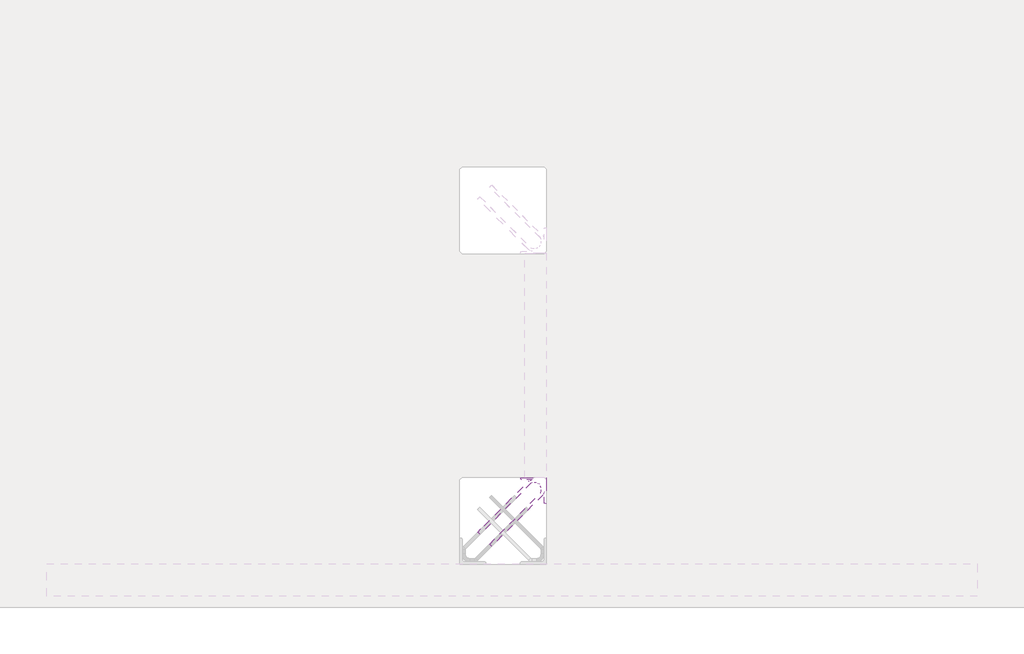
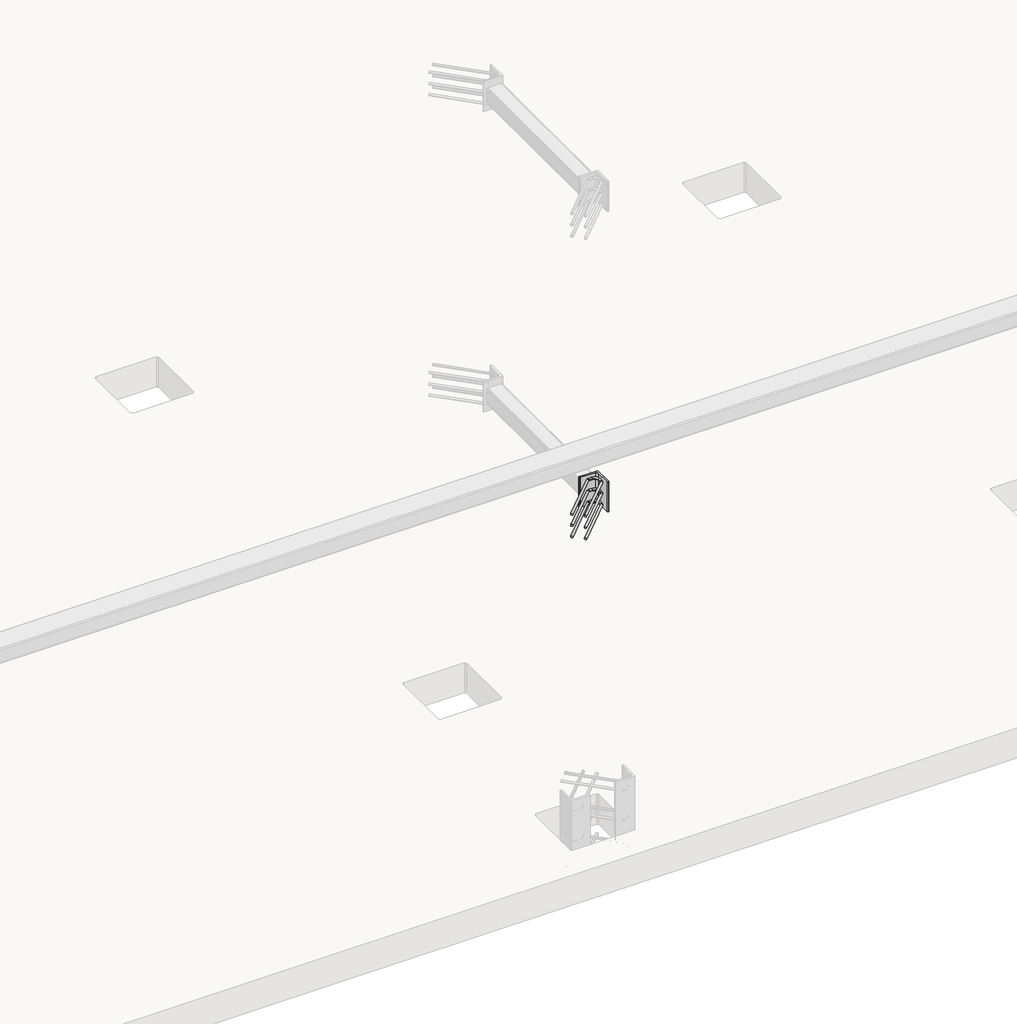
# One storey, part 7 of 65: 1 fastener.
"""IFC4 building model written with IfcOpenShell, lengths in millimetres."""

from ifc_helpers import new_model, si_unit, point, frame, frame_2d, origin, place, context, project, spatial, polyline, circle_curve, ellipse_curve, trimmed, segment, composite_curve, outline, extrude, element, save
from ifc_brep_helpers import plane_surface, cylinder_surface, revolved_surface, advanced_brep

model = new_model("IFC4")

# Units and contexts
model_context = context("Model", 3, world=origin())
ifc_project = project(units=[si_unit("LENGTHUNIT", "METRE", prefix="MILLI")], contexts=[model_context])

# Site, building, storey
site = spatial("IfcSite", under=ifc_project)
building = spatial("IfcBuilding", under=site)
storey = spatial("IfcBuildingStorey", under=building, Elevation=0.0)

# Fastener
placement = place(None, origin())
element("IfcFastener", 1, at=placement, inside=storey, context=model_context, shape_type="SolidModel", body=[
    extrude(outline(composite_curve([segment(polyline([(17350.0, 10200.0), (17350.0, 10080.0), (17346.5, 10080.0)]), True, "CONTINUOUS"), segment(trimmed(circle_curve(frame_2d((17346.5, 10086.5)), 6.5), [point((17346.5, 10080.0))], [point((17340.0, 10086.5))], False, "CARTESIAN"), True, "CONTINUOUS"), segment(polyline([(17340.0, 10086.5), (17340.0, 10177.0)]), True, "CONTINUOUS"), segment(trimmed(circle_curve(frame_2d((17327.0, 10177.0)), 13.0), [point((17340.0, 10177.0))], [point((17327.0, 10190.0))], True, "CARTESIAN"), True, "CONTINUOUS"), segment(polyline([(17327.0, 10190.0), (17236.5, 10190.0)]), True, "CONTINUOUS"), segment(trimmed(circle_curve(frame_2d((17236.5, 10196.5)), 6.5), [point((17236.5, 10190.0))], [point((17230.0, 10196.5))], False, "CARTESIAN"), True, "CONTINUOUS"), segment(polyline([(17230.0, 10196.5), (17230.0, 10200.0), (17350.0, 10200.0)]), True, "CONTINUOUS")], self_intersect=False)), frame((0.0, 0.0, 1950.0), z_axis=(0.0, 0.0, 1.0), x_axis=(1.0, 0.0, 0.0)), (0.0, 0.0, 1.0), 200.0),
    advanced_brep(
    [(17097.4623741, 9882.5628791, 1975.0), (17087.5628791, 9892.4623741, 1975.0), (17032.5628791, 9947.4623741, 1975.0), (17042.4623741, 9937.5628791, 1975.0), (17303.0, 10176.0, 1975.0), (17303.0, 10190.0, 1975.0), (17284.2132034, 10190.0, 1975.0), (17284.2132034, 10176.0, 1975.0), (17326.0, 10153.0, 1975.0), (17340.0, 10153.0, 1975.0), (17326.0, 10134.2132034, 1975.0), (17340.0, 10134.2132034, 1975.0), (17333.5563492, 10118.6568542, 1975.0), (17323.6568543, 10128.5563492, 1975.0), (17278.5563492, 10173.6568542, 1975.0), (17268.6568543, 10183.5563492, 1975.0)],
    [
        (0, 1, circle_curve(frame((17092.5126266, 9887.5126266, 1975.0), z_axis=(-0.7071067811865505, -0.7071067811865446, 0.0), x_axis=(-0.7071067811865447, 0.7071067811865506, 0.0)), 7.0)),
        (1, 0, circle_curve(frame((17092.5126266, 9887.5126266, 1975.0), z_axis=(-0.7071067811865505, -0.7071067811865446, 0.0), x_axis=(-0.7071067811865447, 0.7071067811865506, 0.0)), 7.0)),
        (2, 3, circle_curve(frame((17037.5126266, 9942.5126266, 1975.0), z_axis=(-0.7071067811865503, -0.7071067811865447, 0.0), x_axis=(0.7071067811865447, -0.7071067811865503, 0.0)), 7.0)),
        (3, 2, circle_curve(frame((17037.5126266, 9942.5126266, 1975.0), z_axis=(-0.7071067811865503, -0.7071067811865447, 0.0), x_axis=(0.7071067811865447, -0.7071067811865503, 0.0)), 7.0)),
        (4, 5, circle_curve(frame((17303.0, 10183.0, 1975.0), z_axis=(-1.0, 0.0, 0.0), x_axis=(0.0, -1.0, 0.0)), 7.0)),
        (5, 6),
        (6, 7, circle_curve(frame((17284.2132034, 10183.0, 1975.0), z_axis=(1.0, 0.0, 0.0), x_axis=(0.0, -1.0, 0.0)), 7.0)),
        (7, 4),
        (5, 4, circle_curve(frame((17303.0, 10183.0, 1975.0), z_axis=(-1.0, 0.0, 0.0), x_axis=(0.0, -1.0, 0.0)), 7.0)),
        (7, 6, circle_curve(frame((17284.2132034, 10183.0, 1975.0), z_axis=(1.0, 0.0, 0.0), x_axis=(0.0, -1.0, 0.0)), 7.0)),
        (4, 8, circle_curve(frame((17303.0, 10153.0, 1975.0), z_axis=(0.0, 0.0, -1.0), x_axis=(1.0, 0.0, 0.0)), 23.0)),
        (8, 9, circle_curve(frame((17333.0, 10153.0, 1975.0), z_axis=(0.0, 1.0, 0.0), x_axis=(-1.0, 0.0, 0.0)), 7.0)),
        (9, 5, circle_curve(frame((17303.0, 10153.0, 1975.0), z_axis=(0.0, 0.0, 1.0), x_axis=(1.0, 0.0, 0.0)), 37.0)),
        (9, 8, circle_curve(frame((17333.0, 10153.0, 1975.0), z_axis=(0.0, 1.0, 0.0), x_axis=(-1.0, 0.0, 0.0)), 7.0)),
        (10, 11, circle_curve(frame((17333.0, 10134.2132034, 1975.0), z_axis=(0.0, 1.0, 0.0), x_axis=(-1.0, 0.0, 0.0)), 7.0)),
        (11, 9),
        (8, 10),
        (11, 10, circle_curve(frame((17333.0, 10134.2132034, 1975.0), z_axis=(0.0, 1.0, 0.0), x_axis=(-1.0, 0.0, 0.0)), 7.0)),
        (0, 12),
        (12, 13, circle_curve(frame((17328.6066017, 10123.6066017, 1975.0), z_axis=(-0.7071067811865505, -0.7071067811865446, 0.0), x_axis=(-0.7071067811865447, 0.7071067811865506, 0.0)), 7.0)),
        (13, 1),
        (13, 12, circle_curve(frame((17328.6066017, 10123.6066017, 1975.0), z_axis=(-0.7071067811865505, -0.7071067811865446, 0.0), x_axis=(-0.7071067811865447, 0.7071067811865506, 0.0)), 7.0)),
        (10, 13, circle_curve(frame((17318.0, 10134.2132034, 1975.0), z_axis=(0.0, 0.0, -1.0), x_axis=(0.7071067811865445, -0.7071067811865506, 0.0)), 8.0)),
        (12, 11, circle_curve(frame((17318.0, 10134.2132034, 1975.0), z_axis=(0.0, 0.0, 1.0), x_axis=(0.7071067811865445, -0.7071067811865506, 0.0)), 22.0)),
        (14, 7, circle_curve(frame((17284.2132034, 10168.0, 1975.0), z_axis=(0.0, 0.0, -1.0), x_axis=(0.0, 1.0, 0.0)), 8.0)),
        (6, 15, circle_curve(frame((17284.2132034, 10168.0, 1975.0), z_axis=(0.0, 0.0, 1.0), x_axis=(0.0, 1.0, 0.0)), 22.0)),
        (15, 14, circle_curve(frame((17273.6066017, 10178.6066017, 1975.0), z_axis=(0.7071067811865501, 0.7071067811865449, 0.0), x_axis=(0.7071067811865449, -0.7071067811865501, 0.0)), 7.0)),
        (14, 15, circle_curve(frame((17273.6066017, 10178.6066017, 1975.0), z_axis=(0.7071067811865496, 0.7071067811865455, 0.0), x_axis=(0.7071067811865455, -0.7071067811865496, 0.0)), 7.0)),
        (15, 2),
        (3, 14),
    ],
    [
        plane_surface(frame((17092.5126266, 9887.5126266, 1975.0), z_axis=(-0.7071067811865505, -0.7071067811865446, 0.0), x_axis=(0.0, 0.0, 1.0))),
        plane_surface(frame((17037.5126266, 9942.5126266, 1975.0), z_axis=(-0.7071067811865503, -0.7071067811865447, 0.0), x_axis=(0.0, 0.0, 1.0))),
        cylinder_surface(frame((17303.0, 10183.0, 1975.0), z_axis=(1.0, 0.0, 0.0), x_axis=(0.0, -1.0, 0.0)), 7.0),
        revolved_surface(trimmed(ellipse_curve(frame((17333.0, 10153.0, 1975.0), z_axis=(0.0, -1.0, 0.0), x_axis=(-1.0, 0.0, 0.0)), 7.0, 7.0), [point((17340.0, 10153.0, 1975.0))], [point((17326.0, 10153.0, 1975.0))], True, "CARTESIAN"), (17303.0, 10153.0, 1975.0), (0.0, 0.0, 1.0)),
        revolved_surface(trimmed(ellipse_curve(frame((17333.0, 10153.0, 1975.0), z_axis=(0.0, -1.0, 0.0), x_axis=(-1.0, 0.0, 0.0)), 7.0, 7.0), [point((17326.0, 10153.0, 1975.0))], [point((17340.0, 10153.0, 1975.0))], True, "CARTESIAN"), (17303.0, 10153.0, 1975.0), (0.0, 0.0, 1.0)),
        cylinder_surface(frame((17333.0, 10134.2132034, 1975.0), z_axis=(0.0, -1.0, 0.0), x_axis=(-1.0, 0.0, 0.0)), 7.0),
        cylinder_surface(frame((17092.5126266, 9887.5126266, 1975.0), z_axis=(-0.7071067811865506, -0.7071067811865447, 0.0), x_axis=(-0.7071067811865447, 0.7071067811865506, 0.0)), 7.0),
        revolved_surface(trimmed(ellipse_curve(frame((17328.6066017, 10123.6066017, 1975.0), z_axis=(-0.7071067811865506, -0.7071067811865445, 0.0), x_axis=(-0.7071067811865445, 0.7071067811865506, 0.0)), 7.0, 7.0), [point((17333.5563492, 10118.6568542, 1975.0))], [point((17323.6568543, 10128.5563492, 1975.0))], True, "CARTESIAN"), (17318.0, 10134.2132034, 1975.0), (0.0, 0.0, 1.0)),
        revolved_surface(trimmed(ellipse_curve(frame((17328.6066017, 10123.6066017, 1975.0), z_axis=(-0.7071067811865506, -0.7071067811865445, 0.0), x_axis=(-0.7071067811865445, 0.7071067811865506, 0.0)), 7.0, 7.0), [point((17323.6568543, 10128.5563492, 1975.0))], [point((17333.5563492, 10118.6568542, 1975.0))], True, "CARTESIAN"), (17318.0, 10134.2132034, 1975.0), (0.0, 0.0, 1.0)),
        revolved_surface(trimmed(ellipse_curve(frame((17284.2132034, 10183.0, 1975.0), z_axis=(1.0, 0.0, 0.0), x_axis=(0.0, -1.0, 0.0)), 7.0, 7.0), [point((17284.2132034, 10190.0, 1975.0))], [point((17284.2132034, 10176.0, 1975.0))], True, "CARTESIAN"), (17284.2132034, 10168.0, 1975.0), (0.0, 0.0, 1.0)),
        revolved_surface(trimmed(ellipse_curve(frame((17284.2132034, 10183.0, 1975.0), z_axis=(1.0, 0.0, 0.0), x_axis=(0.0, -1.0, 0.0)), 7.0, 7.0), [point((17284.2132034, 10176.0, 1975.0))], [point((17284.2132034, 10190.0, 1975.0))], True, "CARTESIAN"), (17284.2132034, 10168.0, 1975.0), (0.0, 0.0, 1.0)),
        cylinder_surface(frame((17273.6066017, 10178.6066017, 1975.0), z_axis=(0.7071067811865503, 0.7071067811865447, 0.0), x_axis=(0.7071067811865447, -0.7071067811865503, 0.0)), 7.0),
    ],
    [
        (0, [[1, 2]]),
        (1, [[3, 4]]),
        (2, [[5, 6, 7, 8]]),
        (2, [[9, -8, 10, -6]]),
        (3, [[11, 12, 13, -5]]),
        (4, [[-13, 14, -11, -9]]),
        (5, [[15, 16, -12, 17]]),
        (5, [[18, -17, -14, -16]]),
        (6, [[-1, 19, 20, 21]]),
        (6, [[-2, -21, 22, -19]]),
        (7, [[23, -20, 24, -15]]),
        (8, [[-24, -22, -23, -18]]),
        (9, [[25, -7, 26, 27]]),
        (10, [[-26, -10, -25, 28]]),
        (11, [[-27, 29, -4, 30]]),
        (11, [[-28, -30, -3, -29]]),
    ],
),
    advanced_brep(
    [(17087.5628791, 9892.4623741, 2125.0), (17097.4623741, 9882.5628791, 2125.0), (17042.4623741, 9937.5628791, 2125.0), (17032.5628791, 9947.4623741, 2125.0), (17303.0, 10190.0, 2125.0), (17303.0, 10176.0, 2125.0), (17284.2132034, 10176.0, 2125.0), (17284.2132034, 10190.0, 2125.0), (17340.0, 10153.0, 2125.0), (17326.0, 10153.0, 2125.0), (17340.0, 10134.2132034, 2125.0), (17326.0, 10134.2132034, 2125.0), (17323.6568543, 10128.5563492, 2125.0), (17333.5563492, 10118.6568542, 2125.0), (17268.6568543, 10183.5563492, 2125.0), (17278.5563492, 10173.6568542, 2125.0)],
    [
        (0, 1, circle_curve(frame((17092.5126266, 9887.5126266, 2125.0), z_axis=(-0.7071067811865505, -0.7071067811865446, 0.0), x_axis=(0.7071067811865447, -0.7071067811865506, 0.0)), 7.0)),
        (1, 0, circle_curve(frame((17092.5126266, 9887.5126266, 2125.0), z_axis=(-0.7071067811865505, -0.7071067811865446, 0.0), x_axis=(0.7071067811865447, -0.7071067811865506, 0.0)), 7.0)),
        (2, 3, circle_curve(frame((17037.5126266, 9942.5126266, 2125.0), z_axis=(-0.7071067811865505, -0.7071067811865447, 0.0), x_axis=(-0.7071067811865447, 0.7071067811865505, 0.0)), 7.0)),
        (3, 2, circle_curve(frame((17037.5126266, 9942.5126266, 2125.0), z_axis=(-0.7071067811865505, -0.7071067811865447, 0.0), x_axis=(-0.7071067811865447, 0.7071067811865505, 0.0)), 7.0)),
        (4, 5, circle_curve(frame((17303.0, 10183.0, 2125.0), z_axis=(-1.0, 0.0, 0.0), x_axis=(0.0, 1.0, 0.0)), 7.0)),
        (5, 6),
        (6, 7, circle_curve(frame((17284.2132034, 10183.0, 2125.0), z_axis=(1.0, 0.0, 0.0), x_axis=(0.0, 1.0, 0.0)), 7.0)),
        (7, 4),
        (5, 4, circle_curve(frame((17303.0, 10183.0, 2125.0), z_axis=(-1.0, 0.0, 0.0), x_axis=(0.0, 1.0, 0.0)), 7.0)),
        (7, 6, circle_curve(frame((17284.2132034, 10183.0, 2125.0), z_axis=(1.0, 0.0, 0.0), x_axis=(0.0, 1.0, 0.0)), 7.0)),
        (4, 8, circle_curve(frame((17303.0, 10153.0, 2125.0), z_axis=(0.0, 0.0, -1.0), x_axis=(1.0, 0.0, 0.0)), 37.0)),
        (8, 9, circle_curve(frame((17333.0, 10153.0, 2125.0), z_axis=(0.0, 1.0, 0.0), x_axis=(1.0, 0.0, 0.0)), 7.0)),
        (9, 5, circle_curve(frame((17303.0, 10153.0, 2125.0), z_axis=(0.0, 0.0, 1.0), x_axis=(1.0, 0.0, 0.0)), 23.0)),
        (9, 8, circle_curve(frame((17333.0, 10153.0, 2125.0), z_axis=(0.0, 1.0, 0.0), x_axis=(1.0, 0.0, 0.0)), 7.0)),
        (10, 11, circle_curve(frame((17333.0, 10134.2132034, 2125.0), z_axis=(0.0, 1.0, 0.0), x_axis=(1.0, 0.0, 0.0)), 7.0)),
        (11, 9),
        (8, 10),
        (11, 10, circle_curve(frame((17333.0, 10134.2132034, 2125.0), z_axis=(0.0, 1.0, 0.0), x_axis=(1.0, 0.0, 0.0)), 7.0)),
        (0, 12),
        (12, 13, circle_curve(frame((17328.6066017, 10123.6066017, 2125.0), z_axis=(-0.7071067811865505, -0.7071067811865446, 0.0), x_axis=(0.7071067811865447, -0.7071067811865506, 0.0)), 7.0)),
        (13, 1),
        (13, 12, circle_curve(frame((17328.6066017, 10123.6066017, 2125.0), z_axis=(-0.7071067811865505, -0.7071067811865446, 0.0), x_axis=(0.7071067811865447, -0.7071067811865506, 0.0)), 7.0)),
        (10, 13, circle_curve(frame((17318.0, 10134.2132034, 2125.0), z_axis=(0.0, 0.0, -1.0), x_axis=(0.7071067811865445, -0.7071067811865506, 0.0)), 22.0)),
        (12, 11, circle_curve(frame((17318.0, 10134.2132034, 2125.0), z_axis=(0.0, 0.0, 1.0), x_axis=(0.7071067811865445, -0.7071067811865506, 0.0)), 8.0)),
        (14, 7, circle_curve(frame((17284.2132034, 10168.0, 2125.0), z_axis=(0.0, 0.0, -1.0), x_axis=(0.0, 1.0, 0.0)), 22.0)),
        (6, 15, circle_curve(frame((17284.2132034, 10168.0, 2125.0), z_axis=(0.0, 0.0, 1.0), x_axis=(0.0, 1.0, 0.0)), 8.0)),
        (15, 14, circle_curve(frame((17273.6066017, 10178.6066017, 2125.0), z_axis=(0.7071067811865488, 0.7071067811865462, 0.0), x_axis=(-0.7071067811865462, 0.7071067811865488, 0.0)), 7.0)),
        (14, 15, circle_curve(frame((17273.6066017, 10178.6066017, 2125.0), z_axis=(0.7071067811865496, 0.7071067811865455, 0.0), x_axis=(-0.7071067811865455, 0.7071067811865496, 0.0)), 7.0)),
        (15, 2),
        (3, 14),
    ],
    [
        plane_surface(frame((17092.5126266, 9887.5126266, 2125.0), z_axis=(-0.7071067811865505, -0.7071067811865446, 0.0), x_axis=(0.0, 0.0, -1.0))),
        plane_surface(frame((17037.5126266, 9942.5126266, 2125.0), z_axis=(-0.7071067811865505, -0.7071067811865447, 0.0), x_axis=(0.0, 0.0, -1.0))),
        cylinder_surface(frame((17303.0, 10183.0, 2125.0), z_axis=(1.0, 0.0, 0.0), x_axis=(0.0, 1.0, 0.0)), 7.0),
        revolved_surface(trimmed(ellipse_curve(frame((17333.0, 10153.0, 2125.0), z_axis=(0.0, -1.0, 0.0), x_axis=(1.0, 0.0, 0.0)), 7.0, 7.0), [point((17326.0, 10153.0, 2125.0))], [point((17340.0, 10153.0, 2125.0))], True, "CARTESIAN"), (17303.0, 10153.0, 2125.0), (0.0, 0.0, 1.0)),
        revolved_surface(trimmed(ellipse_curve(frame((17333.0, 10153.0, 2125.0), z_axis=(0.0, -1.0, 0.0), x_axis=(1.0, 0.0, 0.0)), 7.0, 7.0), [point((17340.0, 10153.0, 2125.0))], [point((17326.0, 10153.0, 2125.0))], True, "CARTESIAN"), (17303.0, 10153.0, 2125.0), (0.0, 0.0, 1.0)),
        cylinder_surface(frame((17333.0, 10134.2132034, 2125.0), z_axis=(0.0, -1.0, 0.0), x_axis=(1.0, 0.0, 0.0)), 7.0),
        cylinder_surface(frame((17092.5126266, 9887.5126266, 2125.0), z_axis=(-0.7071067811865506, -0.7071067811865447, 0.0), x_axis=(0.7071067811865447, -0.7071067811865506, 0.0)), 7.0),
        revolved_surface(trimmed(ellipse_curve(frame((17328.6066017, 10123.6066017, 2125.0), z_axis=(-0.7071067811865506, -0.7071067811865445, 0.0), x_axis=(0.7071067811865445, -0.7071067811865506, 0.0)), 7.0, 7.0), [point((17323.6568543, 10128.5563492, 2125.0))], [point((17333.5563492, 10118.6568542, 2125.0))], True, "CARTESIAN"), (17318.0, 10134.2132034, 2125.0), (0.0, 0.0, 1.0)),
        revolved_surface(trimmed(ellipse_curve(frame((17328.6066017, 10123.6066017, 2125.0), z_axis=(-0.7071067811865506, -0.7071067811865445, 0.0), x_axis=(0.7071067811865445, -0.7071067811865506, 0.0)), 7.0, 7.0), [point((17333.5563492, 10118.6568542, 2125.0))], [point((17323.6568543, 10128.5563492, 2125.0))], True, "CARTESIAN"), (17318.0, 10134.2132034, 2125.0), (0.0, 0.0, 1.0)),
        revolved_surface(trimmed(ellipse_curve(frame((17284.2132034, 10183.0, 2125.0), z_axis=(1.0, 0.0, 0.0), x_axis=(0.0, 1.0, 0.0)), 7.0, 7.0), [point((17284.2132034, 10176.0, 2125.0))], [point((17284.2132034, 10190.0, 2125.0))], True, "CARTESIAN"), (17284.2132034, 10168.0, 2125.0), (0.0, 0.0, 1.0)),
        revolved_surface(trimmed(ellipse_curve(frame((17284.2132034, 10183.0, 2125.0), z_axis=(1.0, 0.0, 0.0), x_axis=(0.0, 1.0, 0.0)), 7.0, 7.0), [point((17284.2132034, 10190.0, 2125.0))], [point((17284.2132034, 10176.0, 2125.0))], True, "CARTESIAN"), (17284.2132034, 10168.0, 2125.0), (0.0, 0.0, 1.0)),
        cylinder_surface(frame((17273.6066017, 10178.6066017, 2125.0), z_axis=(0.7071067811865505, 0.7071067811865447, 0.0), x_axis=(-0.7071067811865447, 0.7071067811865505, 0.0)), 7.0),
    ],
    [
        (0, [[1, 2]]),
        (1, [[3, 4]]),
        (2, [[5, 6, 7, 8]]),
        (2, [[9, -8, 10, -6]]),
        (3, [[11, 12, 13, -5]]),
        (4, [[-13, 14, -11, -9]]),
        (5, [[15, 16, -12, 17]]),
        (5, [[18, -17, -14, -16]]),
        (6, [[-1, 19, 20, 21]]),
        (6, [[-2, -21, 22, -19]]),
        (7, [[23, -20, 24, -15]]),
        (8, [[-24, -22, -23, -18]]),
        (9, [[25, -7, 26, 27]]),
        (10, [[-26, -10, -25, 28]]),
        (11, [[-27, 29, -4, 30]]),
        (11, [[-28, -30, -3, -29]]),
    ],
),
    advanced_brep(
    [(17087.5628791, 9892.4623741, 2050.0), (17097.4623741, 9882.5628791, 2050.0), (17042.4623741, 9937.5628791, 2050.0), (17032.5628791, 9947.4623741, 2050.0), (17303.0, 10190.0, 2050.0), (17303.0, 10176.0, 2050.0), (17284.2132034, 10176.0, 2050.0), (17284.2132034, 10190.0, 2050.0), (17340.0, 10153.0, 2050.0), (17326.0, 10153.0, 2050.0), (17340.0, 10134.2132034, 2050.0), (17326.0, 10134.2132034, 2050.0), (17323.6568543, 10128.5563492, 2050.0), (17333.5563492, 10118.6568542, 2050.0), (17268.6568543, 10183.5563492, 2050.0), (17278.5563492, 10173.6568542, 2050.0)],
    [
        (0, 1, circle_curve(frame((17092.5126266, 9887.5126266, 2050.0), z_axis=(-0.7071067811865505, -0.7071067811865446, 0.0), x_axis=(0.7071067811865446, -0.7071067811865505, 0.0)), 7.0)),
        (1, 0, circle_curve(frame((17092.5126266, 9887.5126266, 2050.0), z_axis=(-0.7071067811865505, -0.7071067811865446, 0.0), x_axis=(0.7071067811865446, -0.7071067811865505, 0.0)), 7.0)),
        (2, 3, circle_curve(frame((17037.5126266, 9942.5126266, 2050.0), z_axis=(-0.7071067811865505, -0.7071067811865447, 0.0), x_axis=(-0.7071067811865447, 0.7071067811865505, 0.0)), 7.0)),
        (3, 2, circle_curve(frame((17037.5126266, 9942.5126266, 2050.0), z_axis=(-0.7071067811865505, -0.7071067811865447, 0.0), x_axis=(-0.7071067811865447, 0.7071067811865505, 0.0)), 7.0)),
        (4, 5, circle_curve(frame((17303.0, 10183.0, 2050.0), z_axis=(-1.0, 0.0, 0.0), x_axis=(0.0, 1.0, 0.0)), 7.0)),
        (5, 6),
        (6, 7, circle_curve(frame((17284.2132034, 10183.0, 2050.0), z_axis=(1.0, 0.0, 0.0), x_axis=(0.0, 1.0, 0.0)), 7.0)),
        (7, 4),
        (5, 4, circle_curve(frame((17303.0, 10183.0, 2050.0), z_axis=(-1.0, 0.0, 0.0), x_axis=(0.0, 1.0, 0.0)), 7.0)),
        (7, 6, circle_curve(frame((17284.2132034, 10183.0, 2050.0), z_axis=(1.0, 0.0, 0.0), x_axis=(0.0, 1.0, 0.0)), 7.0)),
        (4, 8, circle_curve(frame((17303.0, 10153.0, 2050.0), z_axis=(0.0, 0.0, -1.0), x_axis=(1.0, 0.0, 0.0)), 37.0)),
        (8, 9, circle_curve(frame((17333.0, 10153.0, 2050.0), z_axis=(0.0, 1.0, 0.0), x_axis=(1.0, 0.0, 0.0)), 7.0)),
        (9, 5, circle_curve(frame((17303.0, 10153.0, 2050.0), z_axis=(0.0, 0.0, 1.0), x_axis=(1.0, 0.0, 0.0)), 23.0)),
        (9, 8, circle_curve(frame((17333.0, 10153.0, 2050.0), z_axis=(0.0, 1.0, 0.0), x_axis=(1.0, 0.0, 0.0)), 7.0)),
        (10, 11, circle_curve(frame((17333.0, 10134.2132034, 2050.0), z_axis=(0.0, 1.0, 0.0), x_axis=(1.0, 0.0, 0.0)), 7.0)),
        (11, 9),
        (8, 10),
        (11, 10, circle_curve(frame((17333.0, 10134.2132034, 2050.0), z_axis=(0.0, 1.0, 0.0), x_axis=(1.0, 0.0, 0.0)), 7.0)),
        (0, 12),
        (12, 13, circle_curve(frame((17328.6066017, 10123.6066017, 2050.0), z_axis=(-0.7071067811865505, -0.7071067811865446, 0.0), x_axis=(0.7071067811865446, -0.7071067811865505, 0.0)), 7.0)),
        (13, 1),
        (13, 12, circle_curve(frame((17328.6066017, 10123.6066017, 2050.0), z_axis=(-0.7071067811865505, -0.7071067811865446, 0.0), x_axis=(0.7071067811865446, -0.7071067811865505, 0.0)), 7.0)),
        (10, 13, circle_curve(frame((17318.0, 10134.2132034, 2050.0), z_axis=(0.0, 0.0, -1.0), x_axis=(0.7071067811865445, -0.7071067811865506, 0.0)), 22.0)),
        (12, 11, circle_curve(frame((17318.0, 10134.2132034, 2050.0), z_axis=(0.0, 0.0, 1.0), x_axis=(0.7071067811865445, -0.7071067811865506, 0.0)), 8.0)),
        (14, 7, circle_curve(frame((17284.2132034, 10168.0, 2050.0), z_axis=(0.0, 0.0, -1.0), x_axis=(0.0, 1.0, 0.0)), 22.0)),
        (6, 15, circle_curve(frame((17284.2132034, 10168.0, 2050.0), z_axis=(0.0, 0.0, 1.0), x_axis=(0.0, 1.0, 0.0)), 8.0)),
        (15, 14, circle_curve(frame((17273.6066017, 10178.6066017, 2050.0), z_axis=(0.7071067811865502, 0.7071067811865448, 0.0), x_axis=(-0.7071067811865448, 0.7071067811865502, 0.0)), 7.0)),
        (14, 15, circle_curve(frame((17273.6066017, 10178.6066017, 2050.0), z_axis=(0.7071067811865501, 0.7071067811865449, 0.0), x_axis=(-0.7071067811865449, 0.7071067811865501, 0.0)), 7.0)),
        (15, 2),
        (3, 14),
    ],
    [
        plane_surface(frame((17092.5126266, 9887.5126266, 2050.0), z_axis=(-0.7071067811865505, -0.7071067811865446, 0.0), x_axis=(0.0, 0.0, -1.0))),
        plane_surface(frame((17037.5126266, 9942.5126266, 2050.0), z_axis=(-0.7071067811865503, -0.7071067811865448, 0.0), x_axis=(0.0, 0.0, -1.0))),
        cylinder_surface(frame((17303.0, 10183.0, 2050.0), z_axis=(1.0, 0.0, 0.0), x_axis=(0.0, 1.0, 0.0)), 7.0),
        revolved_surface(trimmed(ellipse_curve(frame((17333.0, 10153.0, 2050.0), z_axis=(0.0, -1.0, 0.0), x_axis=(1.0, 0.0, 0.0)), 7.0, 7.0), [point((17326.0, 10153.0, 2050.0))], [point((17340.0, 10153.0, 2050.0))], True, "CARTESIAN"), (17303.0, 10153.0, 2050.0), (0.0, 0.0, 1.0)),
        revolved_surface(trimmed(ellipse_curve(frame((17333.0, 10153.0, 2050.0), z_axis=(0.0, -1.0, 0.0), x_axis=(1.0, 0.0, 0.0)), 7.0, 7.0), [point((17340.0, 10153.0, 2050.0))], [point((17326.0, 10153.0, 2050.0))], True, "CARTESIAN"), (17303.0, 10153.0, 2050.0), (0.0, 0.0, 1.0)),
        cylinder_surface(frame((17333.0, 10134.2132034, 2050.0), z_axis=(0.0, -1.0, 0.0), x_axis=(1.0, 0.0, 0.0)), 7.0),
        cylinder_surface(frame((17092.5126266, 9887.5126266, 2050.0), z_axis=(-0.7071067811865505, -0.7071067811865446, 0.0), x_axis=(0.7071067811865446, -0.7071067811865505, 0.0)), 7.0),
        revolved_surface(trimmed(ellipse_curve(frame((17328.6066017, 10123.6066017, 2050.0), z_axis=(-0.7071067811865507, -0.7071067811865444, 0.0), x_axis=(0.7071067811865444, -0.7071067811865507, 0.0)), 7.0, 7.0), [point((17323.6568543, 10128.5563492, 2050.0))], [point((17333.5563492, 10118.6568542, 2050.0))], True, "CARTESIAN"), (17318.0, 10134.2132034, 2050.0), (0.0, 0.0, 1.0)),
        revolved_surface(trimmed(ellipse_curve(frame((17328.6066017, 10123.6066017, 2050.0), z_axis=(-0.7071067811865507, -0.7071067811865444, 0.0), x_axis=(0.7071067811865444, -0.7071067811865507, 0.0)), 7.0, 7.0), [point((17333.5563492, 10118.6568542, 2050.0))], [point((17323.6568543, 10128.5563492, 2050.0))], True, "CARTESIAN"), (17318.0, 10134.2132034, 2050.0), (0.0, 0.0, 1.0)),
        revolved_surface(trimmed(ellipse_curve(frame((17284.2132034, 10183.0, 2050.0), z_axis=(1.0, 0.0, 0.0), x_axis=(0.0, 1.0, 0.0)), 7.0, 7.0), [point((17284.2132034, 10176.0, 2050.0))], [point((17284.2132034, 10190.0, 2050.0))], True, "CARTESIAN"), (17284.2132034, 10168.0, 2050.0), (0.0, 0.0, 1.0)),
        revolved_surface(trimmed(ellipse_curve(frame((17284.2132034, 10183.0, 2050.0), z_axis=(1.0, 0.0, 0.0), x_axis=(0.0, 1.0, 0.0)), 7.0, 7.0), [point((17284.2132034, 10190.0, 2050.0))], [point((17284.2132034, 10176.0, 2050.0))], True, "CARTESIAN"), (17284.2132034, 10168.0, 2050.0), (0.0, 0.0, 1.0)),
        cylinder_surface(frame((17273.6066017, 10178.6066017, 2050.0), z_axis=(0.7071067811865505, 0.7071067811865447, 0.0), x_axis=(-0.7071067811865447, 0.7071067811865505, 0.0)), 7.0),
    ],
    [
        (0, [[1, 2]]),
        (1, [[3, 4]]),
        (2, [[5, 6, 7, 8]]),
        (2, [[9, -8, 10, -6]]),
        (3, [[11, 12, 13, -5]]),
        (4, [[-13, 14, -11, -9]]),
        (5, [[15, 16, -12, 17]]),
        (5, [[18, -17, -14, -16]]),
        (6, [[-1, 19, 20, 21]]),
        (6, [[-2, -21, 22, -19]]),
        (7, [[23, -20, 24, -15]]),
        (8, [[-24, -22, -23, -18]]),
        (9, [[25, -7, 26, 27]]),
        (10, [[-26, -10, -25, 28]]),
        (11, [[-27, 29, -4, 30]]),
        (11, [[-28, -30, -3, -29]]),
    ],
),
])

save(model, "model.ifc")
